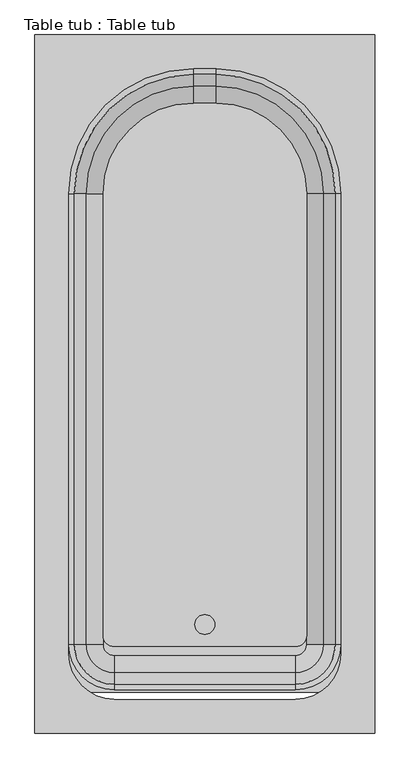
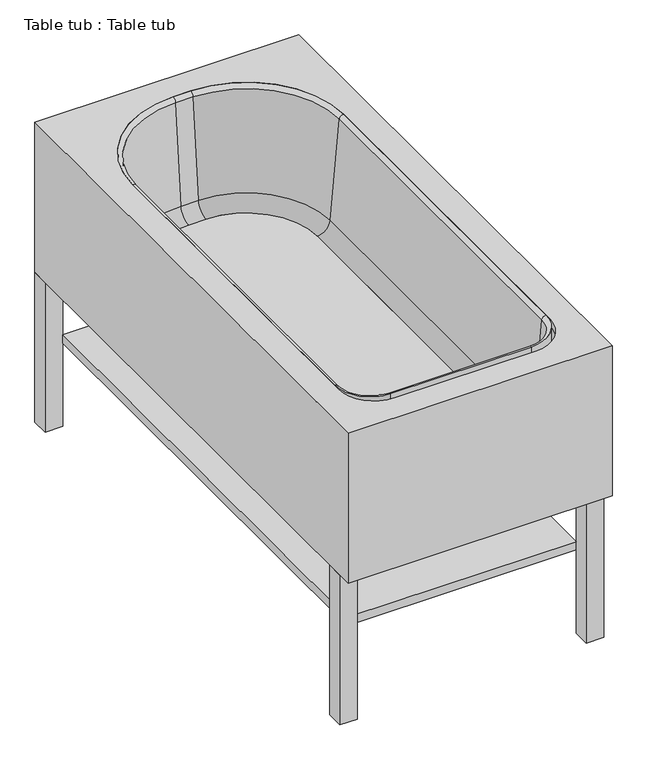
"""IFC4 building model written with IfcOpenShell, lengths in millimetres: flow terminal geometry, Table tub : Table tub."""

from ifc_helpers import new_model, si_unit, point, frame, frame_2d, origin, origin_with_axes, place, context, project, spatial, polyline, circle_curve, ellipse_curve, trimmed, segment, composite_curve, outline, extrude, source, transform, mapped, element, save
from ifc_brep_helpers import plane_surface, cylinder_surface, revolved_surface, advanced_brep


def table_tub_table_tub_b8b19303(model_context):
    return source(origin(), model_context, "Body", "SolidModel", [
        advanced_brep(
        [(-729.6029687, 1652.5875, 914.4), (-729.6029687, 87.3125, 914.4), (32.3970313, 87.3125, 914.4), (32.3970313, 1652.5875, 914.4), (-653.4029687, 265.1125, 914.4), (-653.4029687, 1296.9875, 914.4), (-374.0029687, 1576.3875, 914.4), (-323.2029687, 1576.3875, 914.4), (-43.8029687, 1296.9875, 914.4), (-43.8029687, 265.1125, 914.4), (-145.4029687, 163.5125, 914.4), (-551.8029687, 163.5125, 914.4), (-710.5529687, 1633.5375, 895.35), (13.3470313, 1633.5375, 895.35), (13.3470313, 106.3625, 895.35), (-710.5529687, 106.3625, 895.35), (-653.4029687, 265.1125, 895.35), (-551.8029687, 163.5125, 895.35), (-145.4029687, 163.5125, 895.35), (-43.8029687, 265.1125, 895.35), (-43.8029687, 1296.9875, 895.35), (-323.2029687, 1576.3875, 895.35), (-374.0029687, 1576.3875, 895.35), (-653.4029687, 1296.9875, 895.35), (-729.6029687, 1652.5875, 457.2), (-729.6029687, 87.3125, 457.2), (32.3970313, 87.3125, 457.2), (32.3970313, 1652.5875, 457.2), (-710.5529687, 1633.5375, 457.2), (-710.5529687, 106.3625, 457.2), (13.3470313, 106.3625, 457.2), (13.3470313, 1633.5375, 457.2)],
        [
            (0, 1),
            (1, 2),
            (2, 3),
            (3, 0),
            (4, 5),
            (5, 6, circle_curve(frame((-374.0029687, 1296.9875, 914.4), z_axis=(0.0, 0.0, -1.0), x_axis=(-1.0, 0.0, 0.0)), 279.4)),
            (6, 7),
            (7, 8, circle_curve(frame((-323.2029687, 1296.9875, 914.4), z_axis=(0.0, 0.0, -1.0), x_axis=(-1.0, 0.0, 0.0)), 279.4)),
            (8, 9),
            (9, 10, circle_curve(frame((-145.4029687, 265.1125, 914.4), z_axis=(0.0, 0.0, -1.0), x_axis=(-1.0, 0.0, 0.0)), 101.6)),
            (10, 11),
            (11, 4, circle_curve(frame((-551.8029687, 265.1125, 914.4), z_axis=(0.0, 0.0, -1.0), x_axis=(-1.0, 0.0, 0.0)), 101.6)),
            (12, 13),
            (13, 14),
            (14, 15),
            (15, 12),
            (16, 17, circle_curve(frame((-551.8029687, 265.1125, 895.35), z_axis=(0.0, 0.0, 1.0), x_axis=(-1.0, 0.0, 0.0)), 101.6)),
            (17, 18),
            (18, 19, circle_curve(frame((-145.4029687, 265.1125, 895.35), z_axis=(0.0, 0.0, 1.0), x_axis=(-1.0, 0.0, 0.0)), 101.6)),
            (19, 20),
            (20, 21, circle_curve(frame((-323.2029687, 1296.9875, 895.35), z_axis=(0.0, 0.0, 1.0), x_axis=(-1.0, 0.0, 0.0)), 279.4)),
            (21, 22),
            (22, 23, circle_curve(frame((-374.0029687, 1296.9875, 895.35), z_axis=(0.0, 0.0, 1.0), x_axis=(-1.0, 0.0, 0.0)), 279.4)),
            (23, 16),
            (0, 24),
            (24, 25),
            (25, 1),
            (25, 26),
            (26, 2),
            (26, 27),
            (27, 3),
            (27, 24),
            (4, 16),
            (23, 5),
            (22, 6),
            (21, 7),
            (20, 8),
            (19, 9),
            (18, 10),
            (17, 11),
            (28, 29),
            (29, 30),
            (30, 31),
            (31, 28),
            (31, 13),
            (12, 28),
            (30, 14),
            (29, 15),
        ],
        [
            plane_surface(frame((-729.6029687, 87.3125, 914.4), z_axis=(0.0, 0.0, 1.0), x_axis=(0.0, -1.0, 0.0))),
            plane_surface(frame((-729.6029687, 87.3125, 895.35), z_axis=(0.0, 0.0, -1.0), x_axis=(0.0, 1.0, 0.0))),
            plane_surface(frame((-729.6029687, 1652.5875, 914.4), z_axis=(-1.0, 0.0, 0.0), x_axis=(0.0, 0.0, -1.0))),
            plane_surface(frame((-729.6029687, 87.3125, 914.4), z_axis=(0.0, -1.0, 0.0), x_axis=(0.0, 0.0, -1.0))),
            plane_surface(frame((32.3970313, 87.3125, 914.4), z_axis=(1.0, 0.0, 0.0), x_axis=(0.0, 0.0, -1.0))),
            plane_surface(frame((32.3970313, 1652.5875, 914.4), z_axis=(0.0, 1.0, 0.0), x_axis=(0.0, 0.0, -1.0))),
            plane_surface(frame((-653.4029687, 265.1125, 914.4), z_axis=(1.0, 0.0, 0.0), x_axis=(0.0, 0.0, -1.0))),
            revolved_surface(polyline([(-653.4029687, 1296.9875, 895.35), (-653.4029687, 1296.9875, 914.4)]), (-374.0029687, 1296.9875, 914.4), (0.0, 0.0, -1.0)),
            plane_surface(frame((-374.0029687, 1576.3875, 914.4), z_axis=(0.0, -1.0, 0.0), x_axis=(0.0, 0.0, -1.0))),
            revolved_surface(polyline([(-602.6029687, 1296.9875, 895.35), (-602.6029687, 1296.9875, 914.4)]), (-323.2029687, 1296.9875, 914.4), (0.0, 0.0, -1.0)),
            plane_surface(frame((-43.8029687, 1296.9875, 914.4), z_axis=(-1.0, 0.0, 0.0), x_axis=(0.0, 0.0, -1.0))),
            revolved_surface(polyline([(-247.0029687, 265.1125, 895.35), (-247.0029687, 265.1125, 914.4)]), (-145.4029687, 265.1125, 914.4), (0.0, 0.0, -1.0)),
            plane_surface(frame((-145.4029687, 163.5125, 914.4), z_axis=(0.0, 1.0, 0.0), x_axis=(0.0, 0.0, -1.0))),
            revolved_surface(polyline([(-653.4029687, 265.1125, 895.35), (-653.4029687, 265.1125, 914.4)]), (-551.8029687, 265.1125, 914.4), (0.0, 0.0, -1.0)),
            plane_surface(frame((-729.6029687, 87.3125, 457.2), z_axis=(0.0, 0.0, -1.0), x_axis=(0.0, 1.0, 0.0))),
            plane_surface(frame((-710.5529687, 1633.5375, 895.35), z_axis=(0.0, -1.0, 0.0), x_axis=(0.0, 0.0, -1.0))),
            plane_surface(frame((13.3470313, 1633.5375, 895.35), z_axis=(-1.0, 0.0, 0.0), x_axis=(0.0, 0.0, -1.0))),
            plane_surface(frame((13.3470313, 106.3625, 895.35), z_axis=(0.0, 1.0, 0.0), x_axis=(0.0, 0.0, -1.0))),
            plane_surface(frame((-710.5529687, 106.3625, 895.35), z_axis=(1.0, 0.0, 0.0), x_axis=(0.0, 0.0, -1.0))),
        ],
        [
            (0, [[1, 2, 3, 4], [5, 6, 7, 8, 9, 10, 11, 12]]),
            (1, [[13, 14, 15, 16], [17, 18, 19, 20, 21, 22, 23, 24]]),
            (2, [[-1, 25, 26, 27]]),
            (3, [[-2, -27, 28, 29]]),
            (4, [[-3, -29, 30, 31]]),
            (5, [[-25, -4, -31, 32]]),
            (6, [[-5, 33, -24, 34]]),
            (7, [[-6, -34, -23, 35]]),
            (8, [[-7, -35, -22, 36]]),
            (9, [[-8, -36, -21, 37]]),
            (10, [[-9, -37, -20, 38]]),
            (11, [[-10, -38, -19, 39]]),
            (12, [[-11, -39, -18, 40]]),
            (13, [[-12, -40, -17, -33]]),
            (14, [[-32, -30, -28, -26], [41, 42, 43, 44]]),
            (15, [[-44, 45, -13, 46]]),
            (16, [[-43, 47, -14, -45]]),
            (17, [[-42, 48, -15, -47]]),
            (18, [[-41, -46, -16, -48]]),
        ],
    ),
        extrude(outline(composite_curve([segment(trimmed(circle_curve(frame_2d((-374.0029687, 1296.9875)), 202.7964741), [point((-576.7994428, 1296.9875))], [point((-374.0029687, 1499.7839741))], False, "CARTESIAN"), True, "CONTINUOUS"), segment(polyline([(-374.0029687, 1499.7839741), (-323.2029687, 1499.7839741)]), True, "CONTINUOUS"), segment(trimmed(circle_curve(frame_2d((-323.2029687, 1296.9875)), 202.7964741), [point((-323.2029687, 1499.7839741))], [point((-120.4064946, 1296.9875))], False, "CARTESIAN"), True, "CONTINUOUS"), segment(polyline([(-120.4064946, 1296.9875), (-120.4064946, 306.3875)]), True, "CONTINUOUS"), segment(trimmed(circle_curve(frame_2d((-145.4029687, 306.3875)), 24.9964741), [point((-120.4064946, 306.3875))], [point((-145.4029687, 281.3910259))], False, "CARTESIAN"), True, "CONTINUOUS"), segment(polyline([(-145.4029687, 281.3910259), (-551.8029687, 281.3910259)]), True, "CONTINUOUS"), segment(trimmed(circle_curve(frame_2d((-551.8029687, 306.3875)), 24.9964741), [point((-551.8029687, 281.3910259))], [point((-576.7994428, 306.3875))], False, "CARTESIAN"), True, "CONTINUOUS"), segment(polyline([(-576.7994428, 306.3875), (-576.7994428, 1296.9875)]), True, "CONTINUOUS")], self_intersect=False), holes=[composite_curve([segment(trimmed(circle_curve(frame_2d((-348.6029687, 330.6802627)), 22.225), [point((-370.8279687, 330.6802627))], [point((-326.3779687, 330.6802627))], True, "CARTESIAN"), True, "CONTINUOUS"), segment(trimmed(circle_curve(frame_2d((-348.6029687, 330.6802627)), 22.225), [point((-326.3779687, 330.6802627))], [point((-370.8279687, 330.6802627))], True, "CARTESIAN"), True, "CONTINUOUS")], self_intersect=False)]), frame((0.0, 0.0, 550.263573), z_axis=(0.0, 0.0, 1.0), x_axis=(1.0, 0.0, 0.0)), (0.0, 0.0, 1.0), 19.05),
        advanced_brep(
        [(-551.8029687, 222.7985079, 604.0929392), (-614.7544608, 285.75, 604.0929392), (-640.9249722, 285.75, 903.2232535), (-551.8029687, 196.6279965, 903.2232535), (-551.8029687, 260.7535259, 569.313573), (-576.7994428, 285.75, 569.313573), (-551.8029687, 260.7535259, 550.263573), (-576.7994428, 285.75, 550.263573), (-551.8029687, 184.15, 550.263573), (-653.4029687, 285.75, 550.263573), (-551.8029687, 184.15, 914.4), (-653.4029687, 285.75, 914.4), (-145.4029687, 196.6279965, 903.2232535), (-145.4029687, 222.7985079, 604.0929392), (-145.4029687, 260.7535259, 569.313573), (-145.4029687, 260.7535259, 550.263573), (-145.4029687, 184.15, 550.263573), (-145.4029687, 184.15, 914.4), (-82.4514766, 285.75, 604.0929392), (-56.2809652, 285.75, 903.2232535), (-120.4064946, 285.75, 569.313573), (-120.4064946, 285.75, 550.263573), (-43.8029687, 285.75, 550.263573), (-43.8029687, 285.75, 914.4), (-56.2809652, 1296.9875, 903.2232535), (-82.4514766, 1296.9875, 604.0929392), (-120.4064946, 1296.9875, 569.313573), (-120.4064946, 1296.9875, 550.263573), (-43.8029687, 1296.9875, 550.263573), (-43.8029687, 1296.9875, 914.4), (-323.2029687, 1537.7389921, 604.0929392), (-323.2029687, 1563.9095035, 903.2232535), (-323.2029687, 1499.7839741, 569.313573), (-323.2029687, 1499.7839741, 550.263573), (-323.2029687, 1576.3875, 550.263573), (-323.2029687, 1576.3875, 914.4), (-374.0029687, 1563.9095035, 903.2232535), (-374.0029687, 1537.7389921, 604.0929392), (-374.0029687, 1499.7839741, 569.313573), (-374.0029687, 1499.7839741, 550.263573), (-374.0029687, 1576.3875, 550.263573), (-374.0029687, 1576.3875, 914.4), (-614.7544608, 1296.9875, 604.0929392), (-640.9249722, 1296.9875, 903.2232535), (-576.7994428, 1296.9875, 569.313573), (-576.7994428, 1296.9875, 550.263573), (-653.4029687, 1296.9875, 550.263573), (-653.4029687, 1296.9875, 914.4)],
        [
            (0, 1, circle_curve(frame((-551.8029687, 285.75, 604.0929392), z_axis=(0.0, 0.0, -1.0), x_axis=(-1.0, 0.0, 0.0)), 62.9514921)),
            (1, 2),
            (2, 3, circle_curve(frame((-551.8029687, 285.75, 903.2232535), z_axis=(0.0, 0.0, 1.0), x_axis=(-1.0, 0.0, 0.0)), 89.1220035)),
            (3, 0),
            (4, 5, circle_curve(frame((-551.8029687, 285.75, 569.313573), z_axis=(0.0, 0.0, -1.0), x_axis=(-1.0, 0.0, 0.0)), 24.9964741)),
            (5, 1, circle_curve(frame((-576.7994428, 285.75, 607.413573), z_axis=(0.0, 1.0, 0.0), x_axis=(1.0, 0.0, 0.0)), 38.1)),
            (0, 4, circle_curve(frame((-551.8029687, 260.7535259, 607.413573), z_axis=(1.0, 0.0, 0.0), x_axis=(0.0, 1.0, 0.0)), 38.1)),
            (6, 7, circle_curve(frame((-551.8029687, 285.75, 550.263573), z_axis=(0.0, 0.0, -1.0), x_axis=(-1.0, 0.0, 0.0)), 24.9964741)),
            (7, 5),
            (4, 6),
            (8, 9, circle_curve(frame((-551.8029687, 285.75, 550.263573), z_axis=(0.0, 0.0, -1.0), x_axis=(-1.0, 0.0, 0.0)), 101.6)),
            (9, 7),
            (6, 8),
            (10, 11, circle_curve(frame((-551.8029687, 285.75, 914.4), z_axis=(0.0, 0.0, -1.0), x_axis=(-1.0, 0.0, 0.0)), 101.6)),
            (11, 9),
            (8, 10),
            (2, 11, circle_curve(frame((-653.4029687, 285.75, 901.8462547), z_axis=(0.0, -1.0, 0.0), x_axis=(1.0, 0.0, 0.0)), 12.5537453)),
            (10, 3, circle_curve(frame((-551.8029687, 184.15, 901.8462547), z_axis=(-1.0, 0.0, 0.0), x_axis=(0.0, 1.0, 0.0)), 12.5537453)),
            (3, 12),
            (12, 13),
            (13, 0),
            (13, 14, circle_curve(frame((-145.4029687, 260.7535259, 607.413573), z_axis=(1.0, 0.0, 0.0), x_axis=(0.0, 1.0, 0.0)), 38.1)),
            (14, 4),
            (14, 15),
            (15, 6),
            (15, 16),
            (16, 8),
            (16, 17),
            (17, 10),
            (17, 12, circle_curve(frame((-145.4029687, 184.15, 901.8462547), z_axis=(-1.0, 0.0, 0.0), x_axis=(0.0, 1.0, 0.0)), 12.5537453)),
            (18, 13, circle_curve(frame((-145.4029687, 285.75, 604.0929392), z_axis=(0.0, 0.0, -1.0), x_axis=(0.0, -1.0, 0.0)), 62.9514921)),
            (12, 19, circle_curve(frame((-145.4029687, 285.75, 903.2232535), z_axis=(0.0, 0.0, 1.0), x_axis=(0.0, -1.0, 0.0)), 89.1220035)),
            (19, 18),
            (20, 14, circle_curve(frame((-145.4029687, 285.75, 569.313573), z_axis=(0.0, 0.0, -1.0), x_axis=(0.0, -1.0, 0.0)), 24.9964741)),
            (18, 20, circle_curve(frame((-120.4064946, 285.75, 607.413573), z_axis=(0.0, 1.0, 0.0), x_axis=(-1.0, 0.0, 0.0)), 38.1)),
            (21, 15, circle_curve(frame((-145.4029687, 285.75, 550.263573), z_axis=(0.0, 0.0, -1.0), x_axis=(0.0, -1.0, 0.0)), 24.9964741)),
            (20, 21),
            (22, 16, circle_curve(frame((-145.4029687, 285.75, 550.263573), z_axis=(0.0, 0.0, -1.0), x_axis=(0.0, -1.0, 0.0)), 101.6)),
            (21, 22),
            (23, 17, circle_curve(frame((-145.4029687, 285.75, 914.4), z_axis=(0.0, 0.0, -1.0), x_axis=(0.0, -1.0, 0.0)), 101.6)),
            (22, 23),
            (23, 19, circle_curve(frame((-43.8029687, 285.75, 901.8462547), z_axis=(0.0, -1.0, 0.0), x_axis=(-1.0, 0.0, 0.0)), 12.5537453)),
            (19, 24),
            (24, 25),
            (25, 18),
            (25, 26, circle_curve(frame((-120.4064946, 1296.9875, 607.413573), z_axis=(0.0, 1.0, 0.0), x_axis=(-1.0, 0.0, 0.0)), 38.1)),
            (26, 20),
            (26, 27),
            (27, 21),
            (27, 28),
            (28, 22),
            (28, 29),
            (29, 23),
            (29, 24, circle_curve(frame((-43.8029687, 1296.9875, 901.8462547), z_axis=(0.0, -1.0, 0.0), x_axis=(-1.0, 0.0, 0.0)), 12.5537453)),
            (30, 25, circle_curve(frame((-323.2029687, 1296.9875, 604.0929392), z_axis=(0.0, 0.0, -1.0), x_axis=(1.0, 0.0, 0.0)), 240.7514921)),
            (24, 31, circle_curve(frame((-323.2029687, 1296.9875, 903.2232535), z_axis=(0.0, 0.0, 1.0), x_axis=(1.0, 0.0, 0.0)), 266.9220035)),
            (31, 30),
            (32, 26, circle_curve(frame((-323.2029687, 1296.9875, 569.313573), z_axis=(0.0, 0.0, -1.0), x_axis=(1.0, 0.0, 0.0)), 202.7964741)),
            (30, 32, circle_curve(frame((-323.2029687, 1499.7839741, 607.413573), z_axis=(-1.0, 0.0, 0.0), x_axis=(0.0, -1.0, 0.0)), 38.1)),
            (33, 27, circle_curve(frame((-323.2029687, 1296.9875, 550.263573), z_axis=(0.0, 0.0, -1.0), x_axis=(1.0, 0.0, 0.0)), 202.7964741)),
            (32, 33),
            (34, 28, circle_curve(frame((-323.2029687, 1296.9875, 550.263573), z_axis=(0.0, 0.0, -1.0), x_axis=(1.0, 0.0, 0.0)), 279.4)),
            (33, 34),
            (35, 29, circle_curve(frame((-323.2029687, 1296.9875, 914.4), z_axis=(0.0, 0.0, -1.0), x_axis=(1.0, 0.0, 0.0)), 279.4)),
            (34, 35),
            (35, 31, circle_curve(frame((-323.2029687, 1576.3875, 901.8462547), z_axis=(1.0, 0.0, 0.0), x_axis=(0.0, -1.0, 0.0)), 12.5537453)),
            (31, 36),
            (36, 37),
            (37, 30),
            (37, 38, circle_curve(frame((-374.0029687, 1499.7839741, 607.413573), z_axis=(-1.0, 0.0, 0.0), x_axis=(0.0, -1.0, 0.0)), 38.1)),
            (38, 32),
            (38, 39),
            (39, 33),
            (39, 40),
            (40, 34),
            (40, 41),
            (41, 35),
            (41, 36, circle_curve(frame((-374.0029687, 1576.3875, 901.8462547), z_axis=(1.0, 0.0, 0.0), x_axis=(0.0, -1.0, 0.0)), 12.5537453)),
            (42, 37, circle_curve(frame((-374.0029687, 1296.9875, 604.0929392), z_axis=(0.0, 0.0, -1.0), x_axis=(0.0, 1.0, 0.0)), 240.7514921)),
            (36, 43, circle_curve(frame((-374.0029687, 1296.9875, 903.2232535), z_axis=(0.0, 0.0, 1.0), x_axis=(0.0, 1.0, 0.0)), 266.9220035)),
            (43, 42),
            (44, 38, circle_curve(frame((-374.0029687, 1296.9875, 569.313573), z_axis=(0.0, 0.0, -1.0), x_axis=(0.0, 1.0, 0.0)), 202.7964741)),
            (42, 44, circle_curve(frame((-576.7994428, 1296.9875, 607.413573), z_axis=(0.0, -1.0, 0.0), x_axis=(1.0, 0.0, 0.0)), 38.1)),
            (45, 39, circle_curve(frame((-374.0029687, 1296.9875, 550.263573), z_axis=(0.0, 0.0, -1.0), x_axis=(0.0, 1.0, 0.0)), 202.7964741)),
            (44, 45),
            (46, 40, circle_curve(frame((-374.0029687, 1296.9875, 550.263573), z_axis=(0.0, 0.0, -1.0), x_axis=(0.0, 1.0, 0.0)), 279.4)),
            (45, 46),
            (47, 41, circle_curve(frame((-374.0029687, 1296.9875, 914.4), z_axis=(0.0, 0.0, -1.0), x_axis=(0.0, 1.0, 0.0)), 279.4)),
            (46, 47),
            (47, 43, circle_curve(frame((-653.4029687, 1296.9875, 901.8462547), z_axis=(0.0, 1.0, 0.0), x_axis=(1.0, 0.0, 0.0)), 12.5537453)),
            (43, 2),
            (1, 42),
            (5, 44),
            (7, 45),
            (9, 46),
            (11, 47),
        ],
        [
            revolved_surface(polyline([(-640.9249722, 285.75, 903.2232535), (-614.7544608, 285.75, 604.0929392)]), (-551.8029687, 285.75, 914.4), (0.0, 0.0, 1.0)),
            revolved_surface(trimmed(ellipse_curve(frame((-576.7994428, 285.75, 607.413573), z_axis=(0.0, -1.0, 0.0), x_axis=(1.0, 0.0, 0.0)), 38.1, 38.1), [point((-614.7544608, 285.75, 604.0929392))], [point((-576.7994428, 285.75, 569.313573))], True, "CARTESIAN"), (-551.8029687, 285.75, 914.4), (0.0, 0.0, 1.0)),
            revolved_surface(polyline([(-576.7994428, 285.75, 569.313573), (-576.7994428, 285.75, 550.263573)]), (-551.8029687, 285.75, 914.4), (0.0, 0.0, 1.0)),
            plane_surface(frame((-551.8029687, 285.75, 550.263573), z_axis=(0.0, 0.0, -1.0), x_axis=(-1.0, 0.0, 0.0))),
            cylinder_surface(frame((-551.8029687, 285.75, 914.4), z_axis=(0.0, 0.0, 1.0), x_axis=(-1.0, 0.0, 0.0)), 101.6),
            revolved_surface(trimmed(ellipse_curve(frame((-653.4029687, 285.75, 901.8462547), z_axis=(0.0, 1.0, 0.0), x_axis=(1.0, 0.0, 0.0)), 12.5537453, 12.5537453), [point((-653.4029687, 285.75, 914.4))], [point((-640.9249722, 285.75, 903.2232535))], True, "CARTESIAN"), (-551.8029687, 285.75, 914.4), (0.0, 0.0, 1.0)),
            plane_surface(frame((-551.8029687, 196.6279965, 903.2232535), z_axis=(0.0, 0.9961946980917463, 0.0871557427476503), x_axis=(1.0, 0.0, 0.0))),
            revolved_surface(polyline([(-145.40296869999997, 298.8535259, 607.413573), (-551.8029687, 298.8535259, 607.413573)]), (-551.8029687, 260.7535259, 607.413573), (1.0, 0.0, 0.0)),
            plane_surface(frame((-551.8029687, 260.7535259, 569.313573), z_axis=(0.0, 1.0, 0.0), x_axis=(1.0, 0.0, 0.0))),
            plane_surface(frame((-551.8029687, 260.7535259, 550.263573), z_axis=(0.0, 0.0, -1.0), x_axis=(1.0, 0.0, 0.0))),
            plane_surface(frame((-551.8029687, 184.15, 550.263573), z_axis=(0.0, -1.0, 0.0), x_axis=(1.0, 0.0, 0.0))),
            cylinder_surface(frame((-551.8029687, 184.15, 901.8462547), z_axis=(-1.0, 0.0, 0.0), x_axis=(0.0, 1.0, 0.0)), 12.5537453),
            revolved_surface(polyline([(-145.4029687, 196.6279965, 903.2232535), (-145.4029687, 222.7985079, 604.0929392)]), (-145.4029687, 285.75, 914.4), (0.0, 0.0, 1.0)),
            revolved_surface(trimmed(ellipse_curve(frame((-145.4029687, 260.7535259, 607.413573), z_axis=(1.0, 0.0, 0.0), x_axis=(0.0, 1.0, 0.0)), 38.1, 38.1), [point((-145.4029687, 222.7985079, 604.0929392))], [point((-145.4029687, 260.7535259, 569.313573))], True, "CARTESIAN"), (-145.4029687, 285.75, 914.4), (0.0, 0.0, 1.0)),
            revolved_surface(polyline([(-145.4029687, 260.7535259, 569.313573), (-145.4029687, 260.7535259, 550.263573)]), (-145.4029687, 285.75, 914.4), (0.0, 0.0, 1.0)),
            plane_surface(frame((-145.4029687, 285.75, 550.263573), z_axis=(0.0, 0.0, -1.0), x_axis=(0.0, -1.0, 0.0))),
            cylinder_surface(frame((-145.4029687, 285.75, 914.4), z_axis=(0.0, 0.0, 1.0), x_axis=(0.0, -1.0, 0.0)), 101.6),
            revolved_surface(trimmed(ellipse_curve(frame((-145.4029687, 184.15, 901.8462547), z_axis=(-1.0, 0.0, 0.0), x_axis=(0.0, 1.0, 0.0)), 12.5537453, 12.5537453), [point((-145.4029687, 184.15, 914.4))], [point((-145.4029687, 196.6279965, 903.2232535))], True, "CARTESIAN"), (-145.4029687, 285.75, 914.4), (0.0, 0.0, 1.0)),
            plane_surface(frame((-56.2809652, 285.75, 903.2232535), z_axis=(-0.9961946980917467, 0.0, 0.08715574274764706), x_axis=(0.0, 1.0, 0.0))),
            revolved_surface(polyline([(-158.5064946, 1296.9875, 607.413573), (-158.5064946, 285.75, 607.413573)]), (-120.4064946, 285.75, 607.413573), (0.0, 1.0, 0.0)),
            plane_surface(frame((-120.4064946, 285.75, 569.313573), z_axis=(-1.0, 0.0, 0.0), x_axis=(0.0, 1.0, 0.0))),
            plane_surface(frame((-120.4064946, 285.75, 550.263573), z_axis=(0.0, 0.0, -1.0), x_axis=(0.0, 1.0, 0.0))),
            plane_surface(frame((-43.8029687, 285.75, 550.263573), z_axis=(1.0, 0.0, 0.0), x_axis=(0.0, 1.0, 0.0))),
            cylinder_surface(frame((-43.8029687, 285.75, 901.8462547), z_axis=(0.0, -1.0, 0.0), x_axis=(-1.0, 0.0, 0.0)), 12.5537453),
            revolved_surface(polyline([(-56.2809652, 1296.9875, 903.2232535), (-82.4514766, 1296.9875, 604.0929392)]), (-323.2029687, 1296.9875, 914.4), (0.0, 0.0, 1.0)),
            revolved_surface(trimmed(ellipse_curve(frame((-120.4064946, 1296.9875, 607.413573), z_axis=(0.0, 1.0, 0.0), x_axis=(-1.0, 0.0, 0.0)), 38.1, 38.1), [point((-82.4514766, 1296.9875, 604.0929392))], [point((-120.4064946, 1296.9875, 569.313573))], True, "CARTESIAN"), (-323.2029687, 1296.9875, 914.4), (0.0, 0.0, 1.0)),
            revolved_surface(polyline([(-120.40649459999997, 1296.9875, 569.313573), (-120.40649459999997, 1296.9875, 550.263573)]), (-323.2029687, 1296.9875, 914.4), (0.0, 0.0, 1.0)),
            plane_surface(frame((-323.2029687, 1296.9875, 550.263573), z_axis=(0.0, 0.0, -1.0), x_axis=(1.0, 0.0, 0.0))),
            cylinder_surface(frame((-323.2029687, 1296.9875, 914.4), z_axis=(0.0, 0.0, 1.0), x_axis=(1.0, 0.0, 0.0)), 279.4),
            revolved_surface(trimmed(ellipse_curve(frame((-43.8029687, 1296.9875, 901.8462547), z_axis=(0.0, -1.0, 0.0), x_axis=(-1.0, 0.0, 0.0)), 12.5537453, 12.5537453), [point((-43.8029687, 1296.9875, 914.4))], [point((-56.2809652, 1296.9875, 903.2232535))], True, "CARTESIAN"), (-323.2029687, 1296.9875, 914.4), (0.0, 0.0, 1.0)),
            plane_surface(frame((-323.2029687, 1563.9095035, 903.2232535), z_axis=(0.0, -0.9961946980917463, 0.0871557427476503), x_axis=(-1.0, 0.0, 0.0))),
            revolved_surface(polyline([(-374.0029687, 1461.6839741000001, 607.413573), (-323.2029687, 1461.6839741000001, 607.413573)]), (-323.2029687, 1499.7839741, 607.413573), (-1.0, 0.0, 0.0)),
            plane_surface(frame((-323.2029687, 1499.7839741, 569.313573), z_axis=(0.0, -1.0, 0.0), x_axis=(-1.0, 0.0, 0.0))),
            plane_surface(frame((-323.2029687, 1499.7839741, 550.263573), z_axis=(0.0, 0.0, -1.0), x_axis=(-1.0, 0.0, 0.0))),
            plane_surface(frame((-323.2029687, 1576.3875, 550.263573), z_axis=(0.0, 1.0, 0.0), x_axis=(-1.0, 0.0, 0.0))),
            cylinder_surface(frame((-323.2029687, 1576.3875, 901.8462547), z_axis=(1.0, 0.0, 0.0), x_axis=(0.0, -1.0, 0.0)), 12.5537453),
            revolved_surface(polyline([(-374.0029687, 1563.9095035, 903.2232535), (-374.0029687, 1537.7389921, 604.0929392)]), (-374.0029687, 1296.9875, 914.4), (0.0, 0.0, 1.0)),
            revolved_surface(trimmed(ellipse_curve(frame((-374.0029687, 1499.7839741, 607.413573), z_axis=(-1.0, 0.0, 0.0), x_axis=(0.0, -1.0, 0.0)), 38.1, 38.1), [point((-374.0029687, 1537.7389921, 604.0929392))], [point((-374.0029687, 1499.7839741, 569.313573))], True, "CARTESIAN"), (-374.0029687, 1296.9875, 914.4), (0.0, 0.0, 1.0)),
            revolved_surface(polyline([(-374.0029687, 1499.7839741, 569.313573), (-374.0029687, 1499.7839741, 550.263573)]), (-374.0029687, 1296.9875, 914.4), (0.0, 0.0, 1.0)),
            plane_surface(frame((-374.0029687, 1296.9875, 550.263573), z_axis=(0.0, 0.0, -1.0), x_axis=(0.0, 1.0, 0.0))),
            cylinder_surface(frame((-374.0029687, 1296.9875, 914.4), z_axis=(0.0, 0.0, 1.0), x_axis=(0.0, 1.0, 0.0)), 279.4),
            revolved_surface(trimmed(ellipse_curve(frame((-374.0029687, 1576.3875, 901.8462547), z_axis=(1.0, 0.0, 0.0), x_axis=(0.0, -1.0, 0.0)), 12.5537453, 12.5537453), [point((-374.0029687, 1576.3875, 914.4))], [point((-374.0029687, 1563.9095035, 903.2232535))], True, "CARTESIAN"), (-374.0029687, 1296.9875, 914.4), (0.0, 0.0, 1.0)),
            plane_surface(frame((-640.9249722, 1296.9875, 903.2232535), z_axis=(0.996194698091746, 0.0, 0.08715574274765353), x_axis=(0.0, -1.0, 0.0))),
            revolved_surface(polyline([(-538.6994427999999, 285.75, 607.413573), (-538.6994427999999, 1296.9875, 607.413573)]), (-576.7994428, 1296.9875, 607.413573), (0.0, -1.0, 0.0)),
            plane_surface(frame((-576.7994428, 1296.9875, 569.313573), z_axis=(1.0, 0.0, 0.0), x_axis=(0.0, -1.0, 0.0))),
            plane_surface(frame((-576.7994428, 1296.9875, 550.263573), z_axis=(0.0, 0.0, -1.0), x_axis=(0.0, -1.0, 0.0))),
            plane_surface(frame((-653.4029687, 1296.9875, 550.263573), z_axis=(-1.0, 0.0, 0.0), x_axis=(0.0, -1.0, 0.0))),
            cylinder_surface(frame((-653.4029687, 1296.9875, 901.8462547), z_axis=(0.0, 1.0, 0.0), x_axis=(1.0, 0.0, 0.0)), 12.5537453),
        ],
        [
            (0, [[1, 2, 3, 4]]),
            (1, [[5, 6, -1, 7]]),
            (2, [[8, 9, -5, 10]]),
            (3, [[11, 12, -8, 13]]),
            (4, [[14, 15, -11, 16]]),
            (5, [[-3, 17, -14, 18]]),
            (6, [[-4, 19, 20, 21]]),
            (7, [[-7, -21, 22, 23]]),
            (8, [[-10, -23, 24, 25]]),
            (9, [[-13, -25, 26, 27]]),
            (10, [[-16, -27, 28, 29]]),
            (11, [[-18, -29, 30, -19]]),
            (12, [[31, -20, 32, 33]]),
            (13, [[34, -22, -31, 35]]),
            (14, [[36, -24, -34, 37]]),
            (15, [[38, -26, -36, 39]]),
            (16, [[40, -28, -38, 41]]),
            (17, [[-32, -30, -40, 42]]),
            (18, [[-33, 43, 44, 45]]),
            (19, [[-35, -45, 46, 47]]),
            (20, [[-37, -47, 48, 49]]),
            (21, [[-39, -49, 50, 51]]),
            (22, [[-41, -51, 52, 53]]),
            (23, [[-42, -53, 54, -43]]),
            (24, [[55, -44, 56, 57]]),
            (25, [[58, -46, -55, 59]]),
            (26, [[60, -48, -58, 61]]),
            (27, [[62, -50, -60, 63]]),
            (28, [[64, -52, -62, 65]]),
            (29, [[-56, -54, -64, 66]]),
            (30, [[-57, 67, 68, 69]]),
            (31, [[-59, -69, 70, 71]]),
            (32, [[-61, -71, 72, 73]]),
            (33, [[-63, -73, 74, 75]]),
            (34, [[-65, -75, 76, 77]]),
            (35, [[-66, -77, 78, -67]]),
            (36, [[79, -68, 80, 81]]),
            (37, [[82, -70, -79, 83]]),
            (38, [[84, -72, -82, 85]]),
            (39, [[86, -74, -84, 87]]),
            (40, [[88, -76, -86, 89]]),
            (41, [[-80, -78, -88, 90]]),
            (42, [[-81, 91, -2, 92]]),
            (43, [[-83, -92, -6, 93]]),
            (44, [[-85, -93, -9, 94]]),
            (45, [[-87, -94, -12, 95]]),
            (46, [[-89, -95, -15, 96]]),
            (47, [[-90, -96, -17, -91]]),
        ],
    ),
        extrude(outline(polyline([(-18.4029687, 1601.7875), (-18.4029687, 179.3875), (-678.8029687, 179.3875), (-678.8029687, 1601.7875), (-18.4029687, 1601.7875)])), frame((0.0, 0.0, 254.0), z_axis=(0.0, 0.0, 1.0), x_axis=(1.0, 0.0, 0.0)), (0.0, 0.0, 1.0), 25.4),
        extrude(outline(polyline([(-678.8029687, 1652.5875), (-678.8029687, 1601.7875), (-729.6029687, 1601.7875), (-729.6029687, 1652.5875), (-678.8029687, 1652.5875)])), origin_with_axes(), (0.0, 0.0, 1.0), 457.2),
        extrude(outline(polyline([(32.3970313, 1652.5875), (32.3970313, 1601.7875), (-18.4029687, 1601.7875), (-18.4029687, 1652.5875), (32.3970313, 1652.5875)])), origin_with_axes(), (0.0, 0.0, 1.0), 457.2),
        extrude(outline(polyline([(-678.8029687, 179.3875), (-678.8029687, 128.5875), (-729.6029687, 128.5875), (-729.6029687, 179.3875), (-678.8029687, 179.3875)])), origin_with_axes(), (0.0, 0.0, 1.0), 457.2),
        extrude(outline(polyline([(32.3970313, 179.3875), (32.3970313, 128.5875), (-18.4029687, 128.5875), (-18.4029687, 179.3875), (32.3970313, 179.3875)])), origin_with_axes(), (0.0, 0.0, 1.0), 457.2),
    ])


if __name__ == "__main__":
    model = new_model("IFC4")
    model_context = context("Model", 3, world=origin())
    ifc_project = project(units=[si_unit("LENGTHUNIT", "METRE", prefix="MILLI")], contexts=[model_context])
    site = spatial("IfcSite", under=ifc_project)
    building = spatial("IfcBuilding", under=site)
    placement = place(None, origin())
    table_tub_table_tub_shape = table_tub_table_tub_b8b19303(model_context)
    element("IfcFlowTerminal", 1, ObjectType="Table tub : Table tub", at=placement, inside=building, context=model_context, shape_type="MappedRepresentation", body=[
        mapped(table_tub_table_tub_shape, transform((0.0, 0.0, 0.0), x_axis=(1.0, 0.0, 0.0), y_axis=(0.0, 1.0, 0.0), z_axis=(0.0, 0.0, 1.0))),
    ])
    save(model, "model.ifc")
